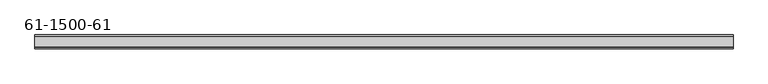
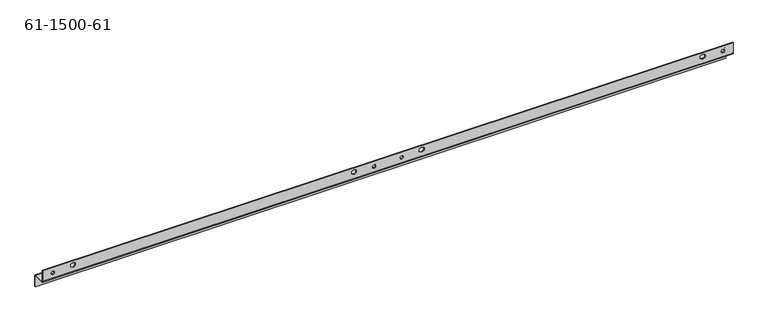
"""IFC4 building model written with IfcOpenShell, lengths in millimetres: proxy geometry, 61-1500-61."""

from ifc_helpers import new_model, si_unit, frame, origin, place, context, project, spatial, polyline, circle_curve, source, transform, mapped, element, save
from ifc_brep_helpers import plane_surface, cylinder_surface, revolved_surface, advanced_brep


def proxy_61_1500_61_595e7a7d(model_context):
    return source(origin(), model_context, "Body", "AdvancedBrep", [
        advanced_brep(
        [(641.0886013, -17.5096786, 14.40688), (641.0886013, -15.8967786, 14.40688), (634.7386013, -15.8967786, 14.40688), (634.7386013, -17.5096786, 14.40688), (696.5317213, -17.5096786, 14.40688), (696.5317213, -15.8967786, 14.40688), (690.1817213, -15.8967786, 14.40688), (690.1817213, -17.5096786, 14.40688), (-6.9492187, -17.5096786, 14.40688), (-6.9492187, -15.8967786, 14.40688), (-13.2992187, -15.8967786, 14.40688), (-13.2992187, -17.5096786, 14.40688), (1344.5695413, -17.5096786, 14.40688), (1344.5695413, -15.8967786, 14.40688), (1338.2195413, -15.8967786, 14.40688), (1338.2195413, -17.5096786, 14.40688), (1303.8101613, 8.4364214, -10.57148), (1303.8101613, 10.0493214, -10.57148), (1297.4601613, 10.0493214, -10.57148), (1297.4601613, 8.4364214, -10.57148), (668.8101613, 8.4364214, -10.57148), (668.8101613, 10.0493214, -10.57148), (662.4601613, 10.0493214, -10.57148), (662.4601613, 8.4364214, -10.57148), (33.8101613, 8.4364214, -10.57148), (33.8101613, 10.0493214, -10.57148), (27.4601613, 10.0493214, -10.57148), (27.4601613, 8.4364214, -10.57148), (25.7101013, -15.8967786, 19.4755307), (30.4726013, -15.8967786, 22.2251613), (30.4726013, -17.5096786, 22.2251613), (25.7101013, -17.5096786, 19.4755307), (25.7101013, -15.8967786, 13.9762693), (25.7101013, -17.5096786, 13.9762693), (30.4726013, -15.8967786, 11.2266387), (30.4726013, -17.5096786, 11.2266387), (35.2351013, -15.8967786, 13.9762693), (35.2351013, -17.5096786, 13.9762693), (35.2351013, -15.8967786, 19.4755307), (35.2351013, -17.5096786, 19.4755307), (729.1885013, -15.8967786, 19.4755307), (733.9510013, -15.8967786, 22.2251613), (733.9510013, -17.5096786, 22.2251613), (729.1885013, -17.5096786, 19.4755307), (729.1885013, -15.8967786, 13.9762693), (729.1885013, -17.5096786, 13.9762693), (733.9510013, -15.8967786, 11.2266387), (733.9510013, -17.5096786, 11.2266387), (738.7135013, -15.8967786, 13.9762693), (738.7135013, -17.5096786, 13.9762693), (738.7135013, -15.8967786, 19.4755307), (738.7135013, -17.5096786, 19.4755307), (1296.0352213, -15.8967786, 19.4755307), (1300.7977213, -15.8967786, 22.2251613), (1300.7977213, -17.5096786, 22.2251613), (1296.0352213, -17.5096786, 19.4755307), (1296.0352213, -15.8967786, 13.9762693), (1296.0352213, -17.5096786, 13.9762693), (1300.7977213, -15.8967786, 11.2266387), (1300.7977213, -17.5096786, 11.2266387), (1305.5602213, -15.8967786, 13.9762693), (1305.5602213, -17.5096786, 13.9762693), (1305.5602213, -15.8967786, 19.4755307), (1305.5602213, -17.5096786, 19.4755307), (597.3193213, -15.8967786, 22.2251613), (602.0818213, -15.8967786, 19.4755307), (602.0818213, -17.5096786, 19.4755307), (597.3193213, -17.5096786, 22.2251613), (592.5568213, -15.8967786, 19.4755307), (592.5568213, -17.5096786, 19.4755307), (592.5568213, -15.8967786, 13.9762693), (592.5568213, -17.5096786, 13.9762693), (597.3193213, -15.8967786, 11.2266387), (597.3193213, -17.5096786, 11.2266387), (602.0818213, -15.8967786, 13.9762693), (602.0818213, -17.5096786, 13.9762693), (1361.7882013, -17.5096786, 3.2258), (-30.5178787, -17.5096786, 3.2258), (-30.5178787, -14.2838786, 0.0), (1361.7882013, -14.2838786, 0.0), (-30.5178787, -15.8967786, 3.2258), (1361.7882013, -15.8967786, 3.2258), (1361.7882013, -14.2838786, 1.6129), (-30.5178787, -14.2838786, 1.6129), (1361.7882013, 6.8235214, 1.6129), (-30.5178787, 6.8235214, 1.6129), (1361.7882013, 10.0493214, -1.6129), (-30.5178787, 10.0493214, -1.6129), (-30.5178787, 8.4364214, -1.6129), (1361.7882013, 8.4364214, -1.6129), (1361.7882013, 6.8235214, 0.0), (-30.5178787, 6.8235214, 0.0), (1361.7882013, 10.0493214, -23.7871), (-30.5178787, 10.0493214, -23.7871), (1361.7882013, 8.4364214, -23.7871), (-30.5178787, 8.4364214, -23.7871), (-30.5178787, -17.5096786, 25.4), (-30.5178787, -15.8967786, 25.4), (1361.7882013, -17.5096786, 25.4), (1361.7882013, -15.8967786, 25.4)],
        [
            (0, 1),
            (1, 2, circle_curve(frame((637.9136013, -15.8967786, 14.40688), z_axis=(0.0, 1.0, 0.0), x_axis=(1.0, 0.0, 0.0)), 3.175)),
            (2, 3),
            (3, 0, circle_curve(frame((637.9136013, -17.5096786, 14.40688), z_axis=(0.0, -1.0, 0.0), x_axis=(1.0, 0.0, 0.0)), 3.175)),
            (4, 5),
            (5, 6, circle_curve(frame((693.3567213, -15.8967786, 14.40688), z_axis=(0.0, 1.0, 0.0), x_axis=(1.0, 0.0, 0.0)), 3.175)),
            (6, 7),
            (7, 4, circle_curve(frame((693.3567213, -17.5096786, 14.40688), z_axis=(0.0, -1.0, 0.0), x_axis=(1.0, 0.0, 0.0)), 3.175)),
            (8, 9),
            (9, 10, circle_curve(frame((-10.1242187, -15.8967786, 14.40688), z_axis=(0.0, 1.0, 0.0), x_axis=(1.0, 0.0, 0.0)), 3.175)),
            (10, 11),
            (11, 8, circle_curve(frame((-10.1242187, -17.5096786, 14.40688), z_axis=(0.0, -1.0, 0.0), x_axis=(1.0, 0.0, 0.0)), 3.175)),
            (12, 13),
            (13, 14, circle_curve(frame((1341.3945413, -15.8967786, 14.40688), z_axis=(0.0, 1.0, 0.0), x_axis=(1.0, 0.0, 0.0)), 3.175)),
            (14, 15),
            (15, 12, circle_curve(frame((1341.3945413, -17.5096786, 14.40688), z_axis=(0.0, -1.0, 0.0), x_axis=(1.0, 0.0, 0.0)), 3.175)),
            (16, 17),
            (17, 18, circle_curve(frame((1300.6351613, 10.0493214, -10.57148), z_axis=(0.0, 1.0, 0.0), x_axis=(1.0, 0.0, 0.0)), 3.175)),
            (18, 19),
            (19, 16, circle_curve(frame((1300.6351613, 8.4364214, -10.57148), z_axis=(0.0, -1.0, 0.0), x_axis=(1.0, 0.0, 0.0)), 3.175)),
            (20, 21),
            (21, 22, circle_curve(frame((665.6351613, 10.0493214, -10.57148), z_axis=(0.0, 1.0, 0.0), x_axis=(1.0, 0.0, 0.0)), 3.175)),
            (22, 23),
            (23, 20, circle_curve(frame((665.6351613, 8.4364214, -10.57148), z_axis=(0.0, -1.0, 0.0), x_axis=(1.0, 0.0, 0.0)), 3.175)),
            (24, 25),
            (25, 26, circle_curve(frame((30.6351613, 10.0493214, -10.57148), z_axis=(0.0, 1.0, 0.0), x_axis=(1.0, 0.0, 0.0)), 3.175)),
            (26, 27),
            (27, 24, circle_curve(frame((30.6351613, 8.4364214, -10.57148), z_axis=(0.0, -1.0, 0.0), x_axis=(1.0, 0.0, 0.0)), 3.175)),
            (28, 29),
            (29, 30),
            (30, 31),
            (31, 28),
            (32, 28),
            (31, 33),
            (33, 32),
            (34, 32),
            (33, 35),
            (35, 34),
            (36, 34),
            (35, 37),
            (37, 36),
            (38, 36),
            (37, 39),
            (39, 38),
            (29, 38),
            (39, 30),
            (40, 41),
            (41, 42),
            (42, 43),
            (43, 40),
            (44, 40),
            (43, 45),
            (45, 44),
            (46, 44),
            (45, 47),
            (47, 46),
            (48, 46),
            (47, 49),
            (49, 48),
            (50, 48),
            (49, 51),
            (51, 50),
            (41, 50),
            (51, 42),
            (52, 53),
            (53, 54),
            (54, 55),
            (55, 52),
            (56, 52),
            (55, 57),
            (57, 56),
            (58, 56),
            (57, 59),
            (59, 58),
            (60, 58),
            (59, 61),
            (61, 60),
            (62, 60),
            (61, 63),
            (63, 62),
            (53, 62),
            (63, 54),
            (64, 65),
            (65, 66),
            (66, 67),
            (67, 64),
            (68, 64),
            (67, 69),
            (69, 68),
            (70, 68),
            (69, 71),
            (71, 70),
            (72, 70),
            (71, 73),
            (73, 72),
            (74, 72),
            (73, 75),
            (75, 74),
            (65, 74),
            (75, 66),
            (24, 27, circle_curve(frame((30.6351613, 8.4364214, -10.57148), z_axis=(0.0, -1.0, 0.0), x_axis=(1.0, 0.0, 0.0)), 3.175)),
            (26, 25, circle_curve(frame((30.6351613, 10.0493214, -10.57148), z_axis=(0.0, 1.0, 0.0), x_axis=(1.0, 0.0, 0.0)), 3.175)),
            (20, 23, circle_curve(frame((665.6351613, 8.4364214, -10.57148), z_axis=(0.0, -1.0, 0.0), x_axis=(1.0, 0.0, 0.0)), 3.175)),
            (22, 21, circle_curve(frame((665.6351613, 10.0493214, -10.57148), z_axis=(0.0, 1.0, 0.0), x_axis=(1.0, 0.0, 0.0)), 3.175)),
            (16, 19, circle_curve(frame((1300.6351613, 8.4364214, -10.57148), z_axis=(0.0, -1.0, 0.0), x_axis=(1.0, 0.0, 0.0)), 3.175)),
            (18, 17, circle_curve(frame((1300.6351613, 10.0493214, -10.57148), z_axis=(0.0, 1.0, 0.0), x_axis=(1.0, 0.0, 0.0)), 3.175)),
            (12, 15, circle_curve(frame((1341.3945413, -17.5096786, 14.40688), z_axis=(0.0, -1.0, 0.0), x_axis=(1.0, 0.0, 0.0)), 3.175)),
            (14, 13, circle_curve(frame((1341.3945413, -15.8967786, 14.40688), z_axis=(0.0, 1.0, 0.0), x_axis=(1.0, 0.0, 0.0)), 3.175)),
            (8, 11, circle_curve(frame((-10.1242187, -17.5096786, 14.40688), z_axis=(0.0, -1.0, 0.0), x_axis=(1.0, 0.0, 0.0)), 3.175)),
            (10, 9, circle_curve(frame((-10.1242187, -15.8967786, 14.40688), z_axis=(0.0, 1.0, 0.0), x_axis=(1.0, 0.0, 0.0)), 3.175)),
            (4, 7, circle_curve(frame((693.3567213, -17.5096786, 14.40688), z_axis=(0.0, -1.0, 0.0), x_axis=(1.0, 0.0, 0.0)), 3.175)),
            (6, 5, circle_curve(frame((693.3567213, -15.8967786, 14.40688), z_axis=(0.0, 1.0, 0.0), x_axis=(1.0, 0.0, 0.0)), 3.175)),
            (0, 3, circle_curve(frame((637.9136013, -17.5096786, 14.40688), z_axis=(0.0, -1.0, 0.0), x_axis=(1.0, 0.0, 0.0)), 3.175)),
            (2, 1, circle_curve(frame((637.9136013, -15.8967786, 14.40688), z_axis=(0.0, 1.0, 0.0), x_axis=(1.0, 0.0, 0.0)), 3.175)),
            (76, 77),
            (77, 78, circle_curve(frame((-30.5178787, -14.2838786, 3.2258), z_axis=(1.0, 0.0, 0.0), x_axis=(0.0, 0.0, -1.0)), 3.2258)),
            (78, 79),
            (79, 76, circle_curve(frame((1361.7882013, -14.2838786, 3.2258), z_axis=(-1.0, 0.0, 0.0), x_axis=(0.0, 0.0, -1.0)), 3.2258)),
            (80, 81),
            (81, 82, circle_curve(frame((1361.7882013, -14.2838786, 3.2258), z_axis=(1.0, 0.0, 0.0), x_axis=(0.0, 0.0, -1.0)), 1.6129)),
            (82, 83),
            (83, 80, circle_curve(frame((-30.5178787, -14.2838786, 3.2258), z_axis=(-1.0, 0.0, 0.0), x_axis=(0.0, 0.0, -1.0)), 1.6129)),
            (82, 84),
            (84, 85),
            (85, 83),
            (86, 87),
            (87, 85, circle_curve(frame((-30.5178787, 6.8235214, -1.6129), z_axis=(1.0, 0.0, 0.0), x_axis=(0.0, 0.0, 1.0)), 3.2258)),
            (84, 86, circle_curve(frame((1361.7882013, 6.8235214, -1.6129), z_axis=(-1.0, 0.0, 0.0), x_axis=(0.0, 0.0, 1.0)), 3.2258)),
            (88, 89),
            (89, 90, circle_curve(frame((1361.7882013, 6.8235214, -1.6129), z_axis=(1.0, 0.0, 0.0), x_axis=(0.0, 0.0, 1.0)), 1.6129)),
            (90, 91),
            (91, 88, circle_curve(frame((-30.5178787, 6.8235214, -1.6129), z_axis=(-1.0, 0.0, 0.0), x_axis=(0.0, 0.0, 1.0)), 1.6129)),
            (78, 91),
            (90, 79),
            (86, 92),
            (92, 93),
            (93, 87),
            (94, 95),
            (95, 93),
            (92, 94),
            (88, 95),
            (94, 89),
            (77, 96),
            (96, 97),
            (97, 80),
            (76, 98),
            (98, 96),
            (81, 99),
            (99, 98),
            (99, 97),
        ],
        [
            revolved_surface(polyline([(641.0886012999999, -15.8967786, 14.40688), (641.0886012999999, -17.5096786, 14.40688)]), (637.9136013, -25.4217786, 14.40688), (0.0, 1.0, 0.0)),
            revolved_surface(polyline([(696.5317213, -15.8967786, 14.40688), (696.5317213, -17.5096786, 14.40688)]), (693.3567213, -25.4217786, 14.40688), (0.0, 1.0, 0.0)),
            revolved_surface(polyline([(-6.9492187, -15.8967786, 14.40688), (-6.9492187, -17.5096786, 14.40688)]), (-10.1242187, -25.4217786, 14.40688), (0.0, 1.0, 0.0)),
            revolved_surface(polyline([(1344.5695412999999, -15.8967786, 14.40688), (1344.5695412999999, -17.5096786, 14.40688)]), (1341.3945413, -25.4217786, 14.40688), (0.0, 1.0, 0.0)),
            revolved_surface(polyline([(1303.8101613, 10.0493214, -10.57148), (1303.8101613, 8.4364214, -10.57148)]), (1300.6351613, 0.5243214, -10.57148), (0.0, 1.0, 0.0)),
            revolved_surface(polyline([(668.8101613, 10.0493214, -10.57148), (668.8101613, 8.4364214, -10.57148)]), (665.6351613, 0.5243214, -10.57148), (0.0, 1.0, 0.0)),
            revolved_surface(polyline([(33.8101613, 10.0493214, -10.57148), (33.8101613, 8.4364214, -10.57148)]), (30.6351613, 0.5243214, -10.57148), (0.0, 1.0, 0.0)),
            plane_surface(frame((30.4726013, -17.5096786, 22.2251613), z_axis=(0.5000000000000001, 0.0, -0.8660254037844387), x_axis=(0.8660254037844387, 0.0, 0.5000000000000001))),
            plane_surface(frame((25.7101013, -17.5096786, 19.4755307), z_axis=(1.0, 0.0, 0.0), x_axis=(0.0, 0.0, 1.0))),
            plane_surface(frame((25.7101013, -17.5096786, 13.9762693), z_axis=(0.4999999999999999, 0.0, 0.8660254037844387), x_axis=(-0.8660254037844387, 0.0, 0.4999999999999999))),
            plane_surface(frame((30.4726013, -17.5096786, 11.2266387), z_axis=(-0.4999999999999993, 0.0, 0.8660254037844392), x_axis=(-0.8660254037844392, 0.0, -0.4999999999999993))),
            plane_surface(frame((35.2351013, -17.5096786, 13.9762693), z_axis=(-1.0, 0.0, 0.0), x_axis=(0.0, 0.0, -1.0))),
            plane_surface(frame((35.2351013, -17.5096786, 19.4755307), z_axis=(-0.4999999999999981, 0.0, -0.8660254037844398), x_axis=(0.8660254037844398, 0.0, -0.4999999999999981))),
            plane_surface(frame((733.9510013, -17.5096786, 22.2251613), z_axis=(0.5000000000000014, 0.0, -0.8660254037844378), x_axis=(0.8660254037844378, 0.0, 0.5000000000000014))),
            plane_surface(frame((729.1885013, -17.5096786, 19.4755307), z_axis=(1.0, 0.0, 0.0), x_axis=(0.0, 0.0, 1.0))),
            plane_surface(frame((729.1885013, -17.5096786, 13.9762693), z_axis=(0.5000000000000104, 0.0, 0.8660254037844327), x_axis=(-0.8660254037844327, 0.0, 0.5000000000000104))),
            plane_surface(frame((733.9510013, -17.5096786, 11.2266387), z_axis=(-0.5000000000000089, 0.0, 0.8660254037844336), x_axis=(-0.8660254037844336, 0.0, -0.5000000000000089))),
            plane_surface(frame((738.7135013, -17.5096786, 13.9762693), z_axis=(-1.0, 0.0, 0.0), x_axis=(0.0, 0.0, -1.0))),
            plane_surface(frame((738.7135013, -17.5096786, 19.4755307), z_axis=(-0.5000000000000037, 0.0, -0.8660254037844366), x_axis=(0.8660254037844366, 0.0, -0.5000000000000037))),
            plane_surface(frame((1300.7977213, -17.5096786, 22.2251613), z_axis=(0.49999999999998396, 0.0, -0.8660254037844479), x_axis=(0.8660254037844479, 0.0, 0.49999999999998396))),
            plane_surface(frame((1296.0352213, -17.5096786, 19.4755307), z_axis=(1.0, 0.0, 0.0), x_axis=(0.0, 0.0, 1.0))),
            plane_surface(frame((1296.0352213, -17.5096786, 13.9762693), z_axis=(0.4999999999999916, 0.0, 0.8660254037844435), x_axis=(-0.8660254037844435, 0.0, 0.4999999999999916))),
            plane_surface(frame((1300.7977213, -17.5096786, 11.2266387), z_axis=(-0.5000000000000007, 0.0, 0.8660254037844384), x_axis=(-0.8660254037844384, 0.0, -0.5000000000000007))),
            plane_surface(frame((1305.5602213, -17.5096786, 13.9762693), z_axis=(-1.0, 0.0, 0.0), x_axis=(0.0, 0.0, -1.0))),
            plane_surface(frame((1305.5602213, -17.5096786, 19.4755307), z_axis=(-0.4999999999999834, 0.0, -0.8660254037844483), x_axis=(0.8660254037844483, 0.0, -0.4999999999999834))),
            plane_surface(frame((602.0818213, -17.5096786, 19.4755307), z_axis=(-0.500000000000003, 0.0, -0.866025403784437), x_axis=(0.866025403784437, 0.0, -0.500000000000003))),
            plane_surface(frame((597.3193213, -17.5096786, 22.2251613), z_axis=(0.5000000000000013, 0.0, -0.8660254037844379), x_axis=(0.8660254037844379, 0.0, 0.5000000000000013))),
            plane_surface(frame((592.5568213, -17.5096786, 19.4755307), z_axis=(1.0, 0.0, 0.0), x_axis=(0.0, 0.0, 1.0))),
            plane_surface(frame((592.5568213, -17.5096786, 13.9762693), z_axis=(0.5000000000000078, 0.0, 0.8660254037844342), x_axis=(-0.8660254037844342, 0.0, 0.5000000000000078))),
            plane_surface(frame((597.3193213, -17.5096786, 11.2266387), z_axis=(-0.49999999999999917, 0.0, 0.8660254037844392), x_axis=(-0.8660254037844392, 0.0, -0.49999999999999917))),
            plane_surface(frame((602.0818213, -17.5096786, 13.9762693), z_axis=(-1.0, 0.0, 0.0), x_axis=(0.0, 0.0, -1.0))),
            cylinder_surface(frame((665.6351613, -14.2838786, 3.2258), z_axis=(-1.0, 0.0, 0.0), x_axis=(0.0, 0.0, -1.0)), 3.2258),
            revolved_surface(polyline([(-30.517878699999983, -14.2838786, 1.6129), (1361.7882013, -14.2838786, 1.6129)]), (665.6351613, -14.2838786, 3.2258), (-1.0, 0.0, 0.0)),
            plane_surface(frame((665.6351613, -3.7301786, 1.6129), z_axis=(0.0, 0.0, 1.0), x_axis=(1.0, 0.0, 0.0))),
            cylinder_surface(frame((665.6351613, 6.8235214, -1.6129), z_axis=(-1.0, 0.0, 0.0), x_axis=(0.0, 0.0, 1.0)), 3.2258),
            revolved_surface(polyline([(-30.517878699999983, 6.8235214, 0.0), (1361.7882013, 6.8235214, 0.0)]), (665.6351613, 6.8235214, -1.6129), (-1.0, 0.0, 0.0)),
            plane_surface(frame((665.6351613, -3.7301786, 0.0), z_axis=(0.0, 0.0, -1.0), x_axis=(1.0, 0.0, 0.0))),
            plane_surface(frame((665.6351613, 10.0493214, -11.0871), z_axis=(0.0, 1.0, 0.0), x_axis=(0.0, 0.0, 1.0))),
            plane_surface(frame((1361.7882013, 10.0493214, -23.7871), z_axis=(0.0, 0.0, -1.0), x_axis=(-1.0, 0.0, 0.0))),
            plane_surface(frame((665.6351613, 8.4364214, -11.0871), z_axis=(0.0, -1.0, 0.0), x_axis=(0.0, 0.0, 1.0))),
            plane_surface(frame((-30.5178787, -17.5096786, 25.4), z_axis=(-1.0, 0.0, 0.0), x_axis=(0.0, 0.0, 1.0))),
            plane_surface(frame((665.6351613, -17.5096786, 12.7), z_axis=(0.0, -1.0, 0.0), x_axis=(0.0, 0.0, 1.0))),
            plane_surface(frame((1361.7882013, -17.5096786, 0.0), z_axis=(1.0, 0.0, 0.0), x_axis=(0.0, 0.0, -1.0))),
            plane_surface(frame((1361.7882013, -17.5096786, 25.4), z_axis=(0.0, 0.0, 1.0), x_axis=(1.0, 0.0, 0.0))),
            plane_surface(frame((665.6351613, -15.8967786, 12.7), z_axis=(0.0, 1.0, 0.0), x_axis=(0.0, 0.0, 1.0))),
        ],
        [
            (0, [[1, 2, 3, 4]]),
            (1, [[5, 6, 7, 8]]),
            (2, [[9, 10, 11, 12]]),
            (3, [[13, 14, 15, 16]]),
            (4, [[17, 18, 19, 20]]),
            (5, [[21, 22, 23, 24]]),
            (6, [[25, 26, 27, 28]]),
            (7, [[29, 30, 31, 32]]),
            (8, [[33, -32, 34, 35]]),
            (9, [[36, -35, 37, 38]]),
            (10, [[39, -38, 40, 41]]),
            (11, [[42, -41, 43, 44]]),
            (12, [[45, -44, 46, -30]]),
            (13, [[47, 48, 49, 50]]),
            (14, [[51, -50, 52, 53]]),
            (15, [[54, -53, 55, 56]]),
            (16, [[57, -56, 58, 59]]),
            (17, [[60, -59, 61, 62]]),
            (18, [[63, -62, 64, -48]]),
            (19, [[65, 66, 67, 68]]),
            (20, [[69, -68, 70, 71]]),
            (21, [[72, -71, 73, 74]]),
            (22, [[75, -74, 76, 77]]),
            (23, [[78, -77, 79, 80]]),
            (24, [[81, -80, 82, -66]]),
            (25, [[83, 84, 85, 86]]),
            (26, [[87, -86, 88, 89]]),
            (27, [[90, -89, 91, 92]]),
            (28, [[93, -92, 94, 95]]),
            (29, [[96, -95, 97, 98]]),
            (30, [[99, -98, 100, -84]]),
            (6, [[-25, 101, -27, 102]]),
            (5, [[-21, 103, -23, 104]]),
            (4, [[-17, 105, -19, 106]]),
            (3, [[-13, 107, -15, 108]]),
            (2, [[-9, 109, -11, 110]]),
            (1, [[-5, 111, -7, 112]]),
            (0, [[-1, 113, -3, 114]]),
            (31, [[115, 116, 117, 118]]),
            (32, [[119, 120, 121, 122]]),
            (33, [[-121, 123, 124, 125]]),
            (34, [[126, 127, -124, 128]]),
            (35, [[129, 130, 131, 132]]),
            (36, [[-117, 133, -131, 134]]),
            (37, [[-126, 135, 136, 137], [-102, -26], [-104, -22], [-106, -18]]),
            (38, [[138, 139, -136, 140]]),
            (39, [[-129, 141, -138, 142], [-101, -28], [-103, -24], [-105, -20]]),
            (40, [[143, 144, 145, -122, -125, -127, -137, -139, -141, -132, -133, -116]]),
            (41, [[-115, 146, 147, -143], [-31, -46, -43, -40, -37, -34], [-49, -64, -61, -58, -55, -52], [-67, -82, -79, -76, -73, -70], [-85, -100, -97, -94, -91, -88], [-107, -16], [-109, -12], [-111, -8], [-113, -4]]),
            (42, [[148, 149, -146, -118, -134, -130, -142, -140, -135, -128, -123, -120]]),
            (43, [[150, -144, -147, -149]]),
            (44, [[-119, -145, -150, -148], [-29, -33, -36, -39, -42, -45], [-47, -51, -54, -57, -60, -63], [-65, -69, -72, -75, -78, -81], [-83, -87, -90, -93, -96, -99], [-108, -14], [-110, -10], [-112, -6], [-114, -2]]),
        ],
    ),
    ])


if __name__ == "__main__":
    model = new_model("IFC4")
    model_context = context("Model", 3, world=origin())
    ifc_project = project(units=[si_unit("LENGTHUNIT", "METRE", prefix="MILLI")], contexts=[model_context])
    site = spatial("IfcSite", under=ifc_project)
    building = spatial("IfcBuilding", under=site)
    placement = place(None, origin())
    proxy_61_1500_61_shape = proxy_61_1500_61_595e7a7d(model_context)
    element("IfcBuildingElementProxy", 1, Name="61-1500-61", ObjectType="61-1500-61", at=placement, inside=building, context=model_context, shape_type="MappedRepresentation", body=[
        mapped(proxy_61_1500_61_shape, transform((0.0, 0.0, 0.0), x_axis=(1.0, 0.0, 0.0), y_axis=(0.0, 1.0, 0.0), z_axis=(0.0, 0.0, 1.0))),
    ])
    save(model, "model.ifc")
